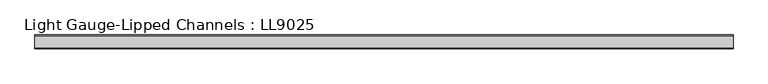
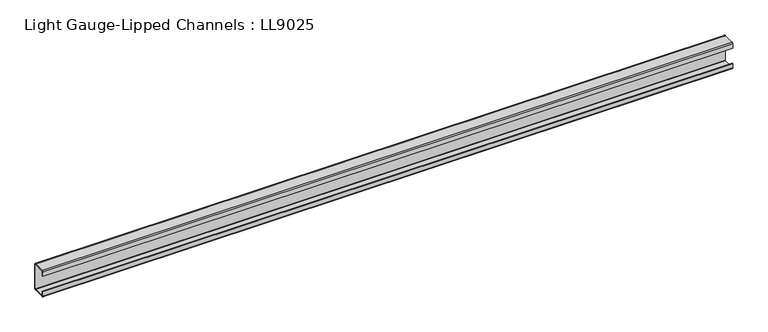
"""IFC4 building model written with IfcOpenShell, lengths in millimetres: beam geometry, Light Gauge-Lipped Channels : LL9025."""

import ifcopenshell
import ifcopenshell.guid

model = None  # the IFC model being written
_history = None  # IfcOwnerHistory: only IFC2X3 demands one
_inside = {}  # id of a spatial element -> (the spatial element, [elements in it])
_under = {}  # id of a project, library or spatial element -> (it, [spatial elements below it])
_declared = {}  # id of a project -> (the project, [libraries it declares])
_typed = {}  # id of a type object -> (the type object, [elements of that type])
_made_of = {}  # id of a material, layer set ... -> (it, [elements and type objects made of it])


def new_model(schema):
    """Start an empty IFC model of exactly this schema.

    Asked for "IFC4X3", IfcOpenShell would pick the latest addendum, in which some entities
    have other attributes; the version numbers below select the first issue.
    IFC2X3 requires an IfcOwnerHistory on every rooted entity: one is made here for all.
    """
    global model, _history
    if schema == "IFC4X3":
        model = ifcopenshell.file(schema_version=(4, 3, 0, 0))
    else:
        model = ifcopenshell.file(schema=schema)
    _inside.clear()
    _under.clear()
    _declared.clear()
    _typed.clear()
    _made_of.clear()
    _history = None
    if model.schema == "IFC2X3":
        org = make("IfcOrganization", Name="unknown")
        user = make(
            "IfcPersonAndOrganization",
            ThePerson=make("IfcPerson", FamilyName="unknown"),
            TheOrganization=org,
        )
        app = make(
            "IfcApplication",
            ApplicationDeveloper=org,
            Version="unknown",
            ApplicationFullName="unknown",
            ApplicationIdentifier="unknown",
        )
        _history = make(
            "IfcOwnerHistory",
            OwningUser=user,
            OwningApplication=app,
            ChangeAction="ADDED",
            CreationDate=0,
        )
    return model


def make(cls, **values):
    """One entity of the class cls with the attributes given. An attribute that is None is left unset."""
    return model.create_entity(
        cls, **{name: value for name, value in values.items() if value is not None}
    )


def rooted(cls, **values):
    """An entity with a GlobalId (a new one), such as an element, a storey or a relation."""
    return make(cls, GlobalId=ifcopenshell.guid.new(), OwnerHistory=_history, **values)


def si_unit(unit_type, name, prefix=None):
    """IfcSIUnit, for example si_unit("LENGTHUNIT", "METRE", prefix="MILLI")."""
    return make("IfcSIUnit", UnitType=unit_type, Prefix=prefix, Name=name)


def assignment(units):
    """IfcUnitAssignment: the units of a project."""
    return None if units is None else make("IfcUnitAssignment", Units=units)


def point(xyz):
    """IfcCartesianPoint."""
    return None if xyz is None else make("IfcCartesianPoint", Coordinates=xyz)


def direction(xyz):
    """IfcDirection."""
    return None if xyz is None else make("IfcDirection", DirectionRatios=xyz)


def frame(location, z_axis=None, x_axis=None):
    """IfcAxis2Placement3D, a coordinate frame: its origin and axes. An axis left out is left unset."""
    return make(
        "IfcAxis2Placement3D",
        Location=point(location),
        Axis=direction(z_axis),
        RefDirection=direction(x_axis),
    )


def frame_2d(location, x_axis=None):
    """IfcAxis2Placement2D, a coordinate frame in the plane: its origin and x axis."""
    return make(
        "IfcAxis2Placement2D", Location=point(location), RefDirection=direction(x_axis)
    )


def origin():
    """The frame at (0, 0, 0) with its axes left unset."""
    return frame((0.0, 0.0, 0.0))


def place(relative_to, where):
    """IfcLocalPlacement: puts the frame where relative to a parent placement (None: the world)."""
    return make(
        "IfcLocalPlacement", PlacementRelTo=relative_to, RelativePlacement=where
    )


def context(
    kind, dimensions, precision=None, world=None, true_north=None, identifier=None
):
    """IfcGeometricRepresentationContext, for example the 3D "Model" context."""
    return make(
        "IfcGeometricRepresentationContext",
        ContextIdentifier=identifier,
        ContextType=kind,
        CoordinateSpaceDimension=dimensions,
        Precision=precision,
        WorldCoordinateSystem=world,
        TrueNorth=true_north,
    )


def project(units=None, contexts=None):
    """IfcProject with its units and contexts."""
    return rooted(
        "IfcProject",
        Name="project",
        RepresentationContexts=contexts,
        UnitsInContext=assignment(units),
    )


def spatial(cls, under=None, at=None, **own):
    """A site, building, storey or space (cls), placed at a placement, below another one or the project."""
    s = rooted(cls, ObjectPlacement=at, **own)
    if under is not None:
        _under.setdefault(under.id(), (under, []))[1].append(s)
    return s


def polyline(points):
    """IfcPolyline through the points."""
    return make("IfcPolyline", Points=[point(p) for p in points])


def circle_curve(where, radius):
    """IfcCircle in the frame where."""
    return make("IfcCircle", Position=where, Radius=radius)


def trimmed(basis, trim1, trim2, sense, master):
    """IfcTrimmedCurve: the piece of a basis curve between two trims."""
    return make(
        "IfcTrimmedCurve",
        BasisCurve=basis,
        Trim1=trim1,
        Trim2=trim2,
        SenseAgreement=sense,
        MasterRepresentation=master,
    )


def segment(curve, same_sense, transition):
    """IfcCompositeCurveSegment."""
    return make(
        "IfcCompositeCurveSegment",
        Transition=transition,
        SameSense=same_sense,
        ParentCurve=curve,
    )


def composite_curve(segments, self_intersect=None):
    """IfcCompositeCurve: segments joined end to end."""
    return make("IfcCompositeCurve", Segments=segments, SelfIntersect=self_intersect)


def outline(outer, holes=None, kind="AREA"):
    """IfcArbitraryClosedProfileDef: a profile drawn as a closed curve; with holes, ...WithVoids."""
    if holes is None:
        return make("IfcArbitraryClosedProfileDef", ProfileType=kind, OuterCurve=outer)
    return make(
        "IfcArbitraryProfileDefWithVoids",
        ProfileType=kind,
        OuterCurve=outer,
        InnerCurves=holes,
    )


def extrude(swept, where, along, depth):
    """IfcExtrudedAreaSolid: the profile swept, set in the frame where, extruded along a direction by depth."""
    return make(
        "IfcExtrudedAreaSolid",
        SweptArea=swept,
        Position=where,
        ExtrudedDirection=direction(along),
        Depth=depth,
    )


def shape(context_of_items, identifier, shape_type, items):
    """IfcShapeRepresentation: the items that make up one representation, for example the "Body"."""
    return make(
        "IfcShapeRepresentation",
        ContextOfItems=context_of_items,
        RepresentationIdentifier=identifier,
        RepresentationType=shape_type,
        Items=items,
    )


def source(mapping_origin, context_of_items, identifier, shape_type, items):
    """IfcRepresentationMap: a shape defined once, which mapped items show again and again."""
    return make(
        "IfcRepresentationMap",
        MappingOrigin=mapping_origin,
        MappedRepresentation=shape(context_of_items, identifier, shape_type, items),
    )


def transform(
    local_origin,
    x_axis=None,
    y_axis=None,
    z_axis=None,
    scale=None,
    scale2=None,
    scale3=None,
    uniform=True,
):
    """IfcCartesianTransformationOperator3D, or its non-uniform kind. x_axis, y_axis, z_axis: its Axis1, 2, 3."""
    if uniform:
        return make(
            "IfcCartesianTransformationOperator3D",
            Axis1=direction(x_axis),
            Axis2=direction(y_axis),
            LocalOrigin=point(local_origin),
            Scale=scale,
            Axis3=direction(z_axis),
        )
    return make(
        "IfcCartesianTransformationOperator3DnonUniform",
        Axis1=direction(x_axis),
        Axis2=direction(y_axis),
        LocalOrigin=point(local_origin),
        Scale=scale,
        Axis3=direction(z_axis),
        Scale2=scale2,
        Scale3=scale3,
    )


def mapped(mapping_source, mapping_target):
    """IfcMappedItem: shows the shape of a source again, moved by a transform."""
    return make(
        "IfcMappedItem", MappingSource=mapping_source, MappingTarget=mapping_target
    )


def made_of(thing, what):
    """Note that an element or type object is made of a material, layer set ...; save() writes the relation."""
    if what is not None:
        _made_of.setdefault(what.id(), (what, []))[1].append(thing)
    return thing


def element(
    cls,
    number,
    at=None,
    inside=None,
    cuts=None,
    type_object=None,
    material=None,
    context=None,
    identifier="Body",
    shape_type=None,
    held_by="IfcProductDefinitionShape",
    body=None,
    shapes=None,
    **own,
):
    """One element of the class cls, such as IfcWall. Its Tag is "e" and its number.

    at: its placement. inside: the storey or other place that contains it. cuts: it is an
    opening in that element (IfcRelVoidsElement). A single representation is given by context,
    identifier, shape_type and body (its items); several are given by shapes. held_by: the class
    of the entity that holds the representations. save() writes the other relations.
    """
    e = rooted(cls, Tag="e%d" % number, ObjectPlacement=at, **own)
    if body is not None:
        shapes = [shape(context, identifier, shape_type, body)]
    if shapes is not None:
        e.Representation = make(held_by, Representations=shapes)
    if inside is not None:
        _inside.setdefault(inside.id(), (inside, []))[1].append(e)
    if cuts is not None:
        rooted(
            "IfcRelVoidsElement", RelatingBuildingElement=cuts, RelatedOpeningElement=e
        )
    if type_object is not None:
        _typed.setdefault(type_object.id(), (type_object, []))[1].append(e)
    return made_of(e, material)


def aggregate(whole, parts):
    """IfcRelAggregates: a whole, such as a stair, and the parts it consists of."""
    return rooted("IfcRelAggregates", RelatingObject=whole, RelatedObjects=parts)


def save(model, path):
    """Write the relations noted so far, then the file.

    IfcRelAggregates (storeys below a building ...), IfcRelContainedInSpatialStructure (elements
    in a storey), IfcRelDefinesByType, IfcRelAssociatesMaterial and IfcRelDeclares: one each for
    every whole, place, type object, material and project.
    """
    for whole, parts in _under.values():
        aggregate(whole, parts)
    for where, things in _inside.values():
        rooted(
            "IfcRelContainedInSpatialStructure",
            RelatedElements=things,
            RelatingStructure=where,
        )
    for kind, things in _typed.values():
        rooted("IfcRelDefinesByType", RelatedObjects=things, RelatingType=kind)
    for what, things in _made_of.values():
        rooted("IfcRelAssociatesMaterial", RelatedObjects=things, RelatingMaterial=what)
    for by, libraries in _declared.values():
        rooted("IfcRelDeclares", RelatingContext=by, RelatedDefinitions=libraries)
    model.write(path)


def light_gauge_lipped_channels_ll9025_981b6e15(model_context):
    return source(origin(), model_context, "Body", "SweptSolid", [
        extrude(outline(composite_curve([segment(trimmed(circle_curve(frame_2d((14.7, -41.5)), 3.5), [point((18.2, -41.5))], [point((14.7, -45.0))], False, "CARTESIAN"), True, "CONTINUOUS"), segment(polyline([(14.7, -45.0), (-23.3, -45.0)]), True, "CONTINUOUS"), segment(trimmed(circle_curve(frame_2d((-23.3, -41.5)), 3.5), [point((-23.3, -45.0))], [point((-26.8, -41.5))], False, "CARTESIAN"), True, "CONTINUOUS"), segment(polyline([(-26.8, -41.5), (-26.8, -27.0), (-24.3, -27.0), (-24.3, -41.5)]), True, "CONTINUOUS"), segment(trimmed(circle_curve(frame_2d((-23.3, -41.5)), 1.0), [point((-24.3, -41.5))], [point((-23.3, -42.5))], True, "CARTESIAN"), True, "CONTINUOUS"), segment(polyline([(-23.3, -42.5), (14.7, -42.5)]), True, "CONTINUOUS"), segment(trimmed(circle_curve(frame_2d((14.7, -41.5)), 1.0), [point((14.7, -42.5))], [point((15.7, -41.5))], True, "CARTESIAN"), True, "CONTINUOUS"), segment(polyline([(15.7, -41.5), (15.7, 41.5)]), True, "CONTINUOUS"), segment(trimmed(circle_curve(frame_2d((14.7, 41.5)), 1.0), [point((15.7, 41.5))], [point((14.7, 42.5))], True, "CARTESIAN"), True, "CONTINUOUS"), segment(polyline([(14.7, 42.5), (-23.3, 42.5)]), True, "CONTINUOUS"), segment(trimmed(circle_curve(frame_2d((-23.3, 41.5)), 1.0), [point((-23.3, 42.5))], [point((-24.3, 41.5))], True, "CARTESIAN"), True, "CONTINUOUS"), segment(polyline([(-24.3, 41.5), (-24.3, 27.0), (-26.8, 27.0), (-26.8, 41.5)]), True, "CONTINUOUS"), segment(trimmed(circle_curve(frame_2d((-23.3, 41.5)), 3.5), [point((-26.8, 41.5))], [point((-23.3, 45.0))], False, "CARTESIAN"), True, "CONTINUOUS"), segment(polyline([(-23.3, 45.0), (14.7, 45.0)]), True, "CONTINUOUS"), segment(trimmed(circle_curve(frame_2d((14.7, 41.5)), 3.5), [point((14.7, 45.0))], [point((18.2, 41.5))], False, "CARTESIAN"), True, "CONTINUOUS"), segment(polyline([(18.2, 41.5), (18.2, -41.5)]), True, "CONTINUOUS")], self_intersect=False)), frame((-1123.5, 0.0, 0.0), z_axis=(1.0, 0.0, 0.0), x_axis=(0.0, 1.0, 0.0)), (0.0, 0.0, 1.0), 2247.0),
    ])


if __name__ == "__main__":
    model = new_model("IFC4")
    model_context = context("Model", 3, world=origin())
    ifc_project = project(units=[si_unit("LENGTHUNIT", "METRE", prefix="MILLI")], contexts=[model_context])
    site = spatial("IfcSite", under=ifc_project)
    building = spatial("IfcBuilding", under=site)
    placement = place(None, origin())
    light_gauge_lipped_channels_ll9025_shape = light_gauge_lipped_channels_ll9025_981b6e15(model_context)
    element("IfcBeam", 1, ObjectType="Light Gauge-Lipped Channels : LL9025", at=placement, inside=building, context=model_context, shape_type="MappedRepresentation", body=[
        mapped(light_gauge_lipped_channels_ll9025_shape, transform((0.0, 0.0, 0.0), x_axis=(1.0, 0.0, 0.0), y_axis=(0.0, 1.0, 0.0), z_axis=(0.0, 0.0, 1.0))),
    ])
    save(model, "model.ifc")
